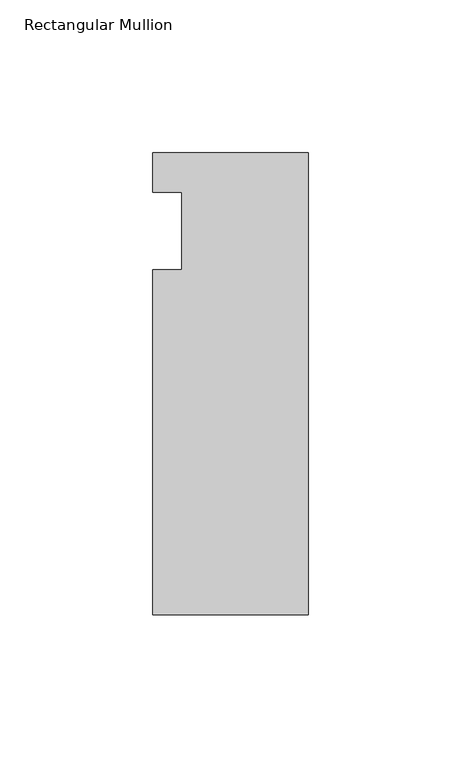
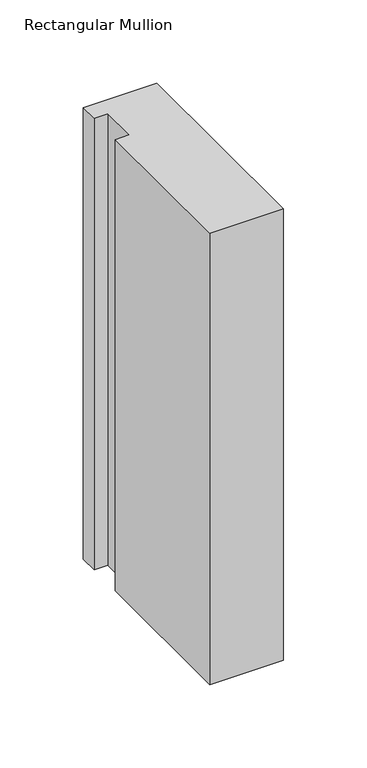
"""IFC4 building model written with IfcOpenShell, lengths in millimetres: member geometry, Rectangular Mullion."""

from ifc_helpers import new_model, si_unit, frame, origin, place, context, project, spatial, polyline, outline, extrude, source, transform, mapped, element, save


def rectangular_mullion_15ec108a(model_context):
    return source(origin(), model_context, "Body", "SweptSolid", [
        extrude(outline(polyline([(-50.8, 25.5984375), (0.0, 25.5984375), (0.0, -125.6109375), (-50.8, -125.6109375), (-50.8, -12.7), (-41.275, -12.7), (-41.275, 12.7), (-50.8, 12.7), (-50.8, 25.5984375)])), frame((0.0, 0.0, -330.2), z_axis=(0.0, 0.0, 1.0), x_axis=(1.0, 0.0, 0.0)), (0.0, 0.0, 1.0), 330.2),
    ])


if __name__ == "__main__":
    model = new_model("IFC4")
    model_context = context("Model", 3, world=origin())
    ifc_project = project(units=[si_unit("LENGTHUNIT", "METRE", prefix="MILLI")], contexts=[model_context])
    site = spatial("IfcSite", under=ifc_project)
    building = spatial("IfcBuilding", under=site)
    placement = place(None, origin())
    rectangular_mullion_shape = rectangular_mullion_15ec108a(model_context)
    element("IfcMember", 1, ObjectType="Rectangular Mullion", at=placement, inside=building, context=model_context, shape_type="MappedRepresentation", body=[
        mapped(rectangular_mullion_shape, transform((0.0, 0.0, 0.0), x_axis=(1.0, 0.0, 0.0), y_axis=(0.0, 1.0, 0.0), z_axis=(0.0, 0.0, 1.0))),
    ])
    save(model, "model.ifc")
